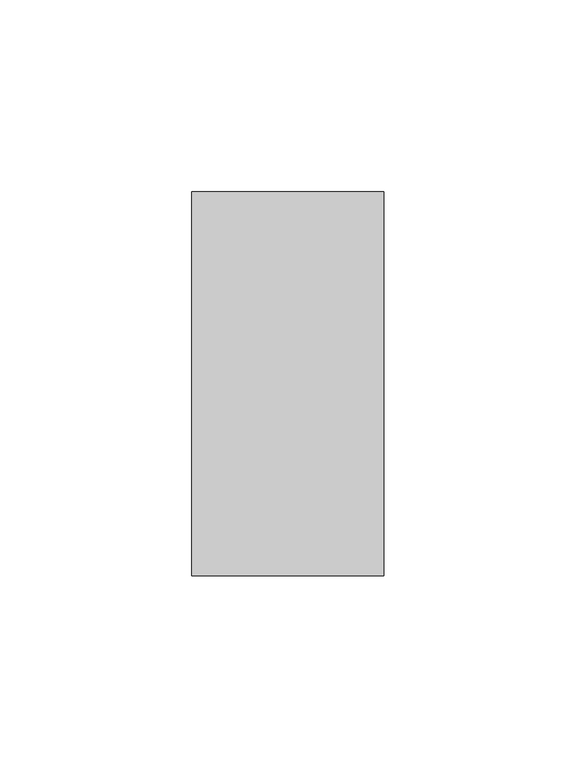
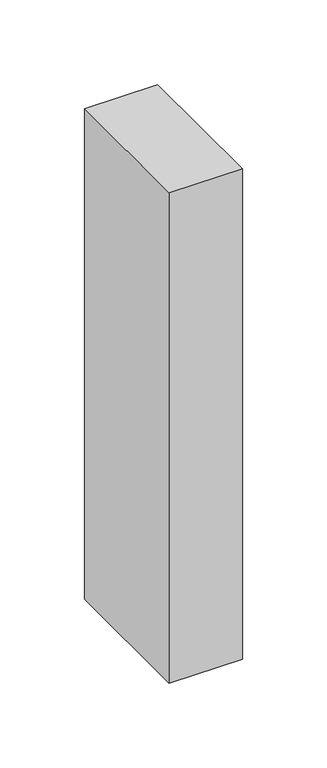
"""IFC4 building model written with IfcOpenShell, lengths in millimetres: member geometry."""

from ifc_helpers import new_model, si_unit, frame, origin, place, context, project, spatial, polyline, outline, extrude, source, transform, mapped, element, save


def member_60463cb0(model_context):
    return source(origin(), model_context, "Body", "SweptSolid", [
        extrude(outline(polyline([(25.0, 50.0), (25.0, -50.0), (-25.0, -50.0), (-25.0, 50.0), (25.0, 50.0)])), frame((0.0, 0.0, -353.6842105), z_axis=(0.0, 0.0, 1.0), x_axis=(1.0, 0.0, 0.0)), (0.0, 0.0, 1.0), 353.6842105),
    ])


if __name__ == "__main__":
    model = new_model("IFC4")
    model_context = context("Model", 3, world=origin())
    ifc_project = project(units=[si_unit("LENGTHUNIT", "METRE", prefix="MILLI")], contexts=[model_context])
    site = spatial("IfcSite", under=ifc_project)
    building = spatial("IfcBuilding", under=site)
    placement = place(None, origin())
    member_shape = member_60463cb0(model_context)
    element("IfcMember", 1, at=placement, inside=building, context=model_context, shape_type="MappedRepresentation", body=[
        mapped(member_shape, transform((0.0, 0.0, 0.0), x_axis=(1.0, 0.0, 0.0), y_axis=(0.0, 1.0, 0.0), z_axis=(0.0, 0.0, 1.0))),
    ])
    save(model, "model.ifc")
